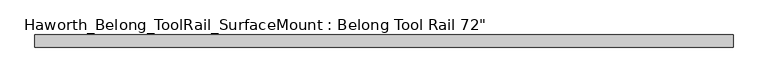
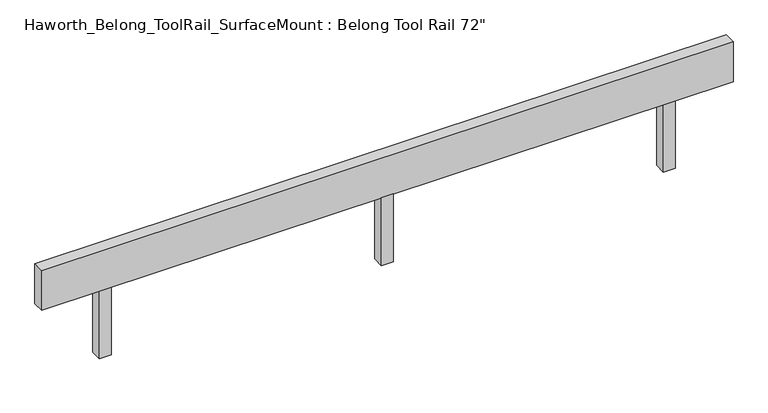
"""IFC4 building model written with IfcOpenShell, lengths in millimetres: furniture geometry."""

from ifc_helpers import new_model, si_unit, frame, origin, place, context, project, spatial, polyline, outline, extrude, source, transform, mapped, element, save


def furniture_cb5bd471(model_context):
    return source(origin(), model_context, "Body", "SweptSolid", [
        extrude(outline(polyline([(15.875, 15.875), (15.875, -15.875), (-15.875, -15.875), (-15.875, 15.875), (15.875, 15.875)])), frame((0.0, 0.0, 762.0), z_axis=(0.0, 0.0, 1.0), x_axis=(1.0, 0.0, 0.0)), (0.0, 0.0, 1.0), 188.9125),
        extrude(outline(polyline([(914.4, 15.875), (914.4, -15.875), (-914.4, -15.875), (-914.4, 15.875), (914.4, 15.875)])), frame((0.0, 0.0, 950.9125), z_axis=(0.0, 0.0, 1.0), x_axis=(1.0, 0.0, 0.0)), (0.0, 0.0, 1.0), 111.125),
        extrude(outline(polyline([(-762.0, 15.875), (-730.25, 15.875), (-730.25, -15.875), (-762.0, -15.875), (-762.0, 15.875)])), frame((0.0, 0.0, 762.0), z_axis=(0.0, 0.0, 1.0), x_axis=(1.0, 0.0, 0.0)), (0.0, 0.0, 1.0), 188.9125),
        extrude(outline(polyline([(730.25, 15.875), (762.0, 15.875), (762.0, -15.875), (730.25, -15.875), (730.25, 15.875)])), frame((0.0, 0.0, 762.0), z_axis=(0.0, 0.0, 1.0), x_axis=(1.0, 0.0, 0.0)), (0.0, 0.0, 1.0), 188.9125),
    ])


if __name__ == "__main__":
    model = new_model("IFC4")
    model_context = context("Model", 3, world=origin())
    ifc_project = project(units=[si_unit("LENGTHUNIT", "METRE", prefix="MILLI")], contexts=[model_context])
    site = spatial("IfcSite", under=ifc_project)
    building = spatial("IfcBuilding", under=site)
    placement = place(None, origin())
    furniture_shape = furniture_cb5bd471(model_context)
    element("IfcFurniture", 1, ObjectType="Haworth_Belong_ToolRail_SurfaceMount : Belong Tool Rail 72\"", at=placement, inside=building, context=model_context, shape_type="MappedRepresentation", body=[
        mapped(furniture_shape, transform((0.0, 0.0, 0.0), x_axis=(1.0, 0.0, 0.0), y_axis=(0.0, 1.0, 0.0), z_axis=(0.0, 0.0, 1.0))),
    ])
    save(model, "model.ifc")
